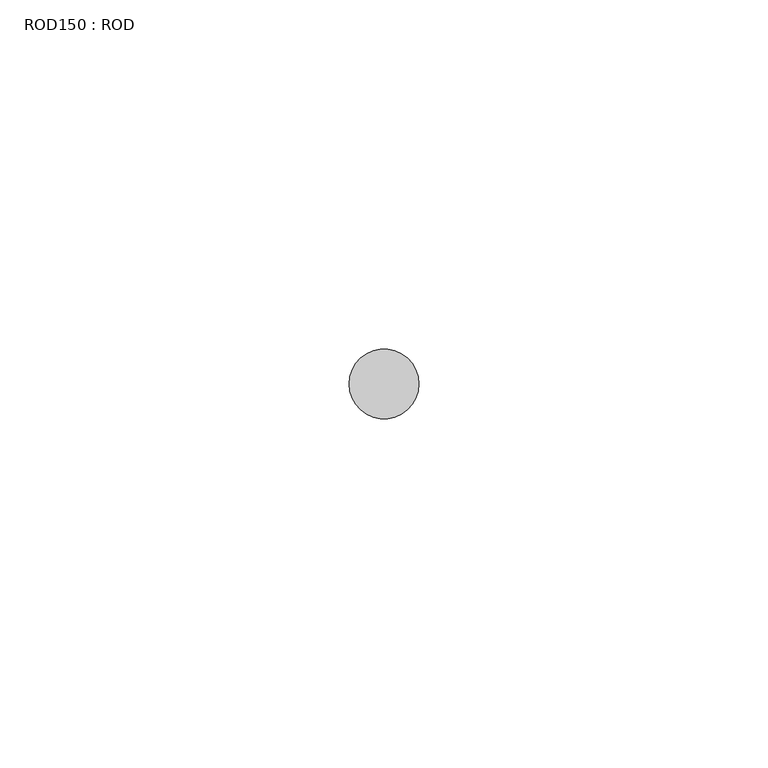
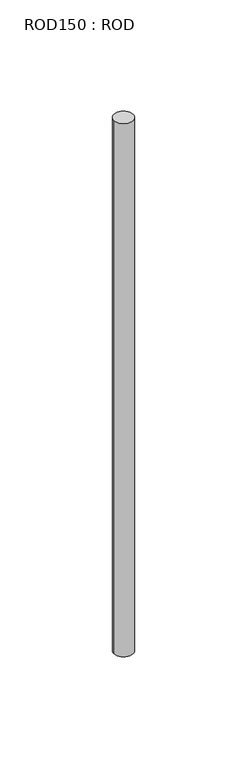
"""IFC4 building model written with IfcOpenShell, lengths in millimetres: proxy geometry, ROD150 : ROD."""

from ifc_helpers import new_model, si_unit, point, frame, frame_2d, origin, place, context, project, spatial, circle_curve, trimmed, segment, composite_curve, outline, extrude, source, transform, mapped, element, save


def rod150_rod_e4f08926(model_context):
    return source(origin(), model_context, "Body", "SweptSolid", [
        extrude(outline(composite_curve([segment(trimmed(circle_curve(frame_2d((-4100.2326676, -21766.6028424)), 5.0), [point((-4105.2326676, -21766.6028424))], [point((-4095.2326676, -21766.6028424))], False, "CARTESIAN"), True, "CONTINUOUS"), segment(trimmed(circle_curve(frame_2d((-4100.2326676, -21766.6028424)), 5.0), [point((-4095.2326676, -21766.6028424))], [point((-4105.2326676, -21766.6028424))], False, "CARTESIAN"), True, "CONTINUOUS")], self_intersect=False)), frame((0.0, 0.0, 166.3391155), z_axis=(0.0, 0.0, 1.0), x_axis=(1.0, 0.0, 0.0)), (0.0, 0.0, 1.0), 298.9028972),
    ])


if __name__ == "__main__":
    model = new_model("IFC4")
    model_context = context("Model", 3, world=origin())
    ifc_project = project(units=[si_unit("LENGTHUNIT", "METRE", prefix="MILLI")], contexts=[model_context])
    site = spatial("IfcSite", under=ifc_project)
    building = spatial("IfcBuilding", under=site)
    placement = place(None, origin())
    rod150_rod_shape = rod150_rod_e4f08926(model_context)
    element("IfcBuildingElementProxy", 1, Name="ROD150 : ROD", ObjectType="ROD150 : ROD", at=placement, inside=building, context=model_context, shape_type="MappedRepresentation", body=[
        mapped(rod150_rod_shape, transform((0.0, 0.0, 0.0), x_axis=(1.0, 0.0, 0.0), y_axis=(0.0, 1.0, 0.0), z_axis=(0.0, 0.0, 1.0))),
    ])
    save(model, "model.ifc")
